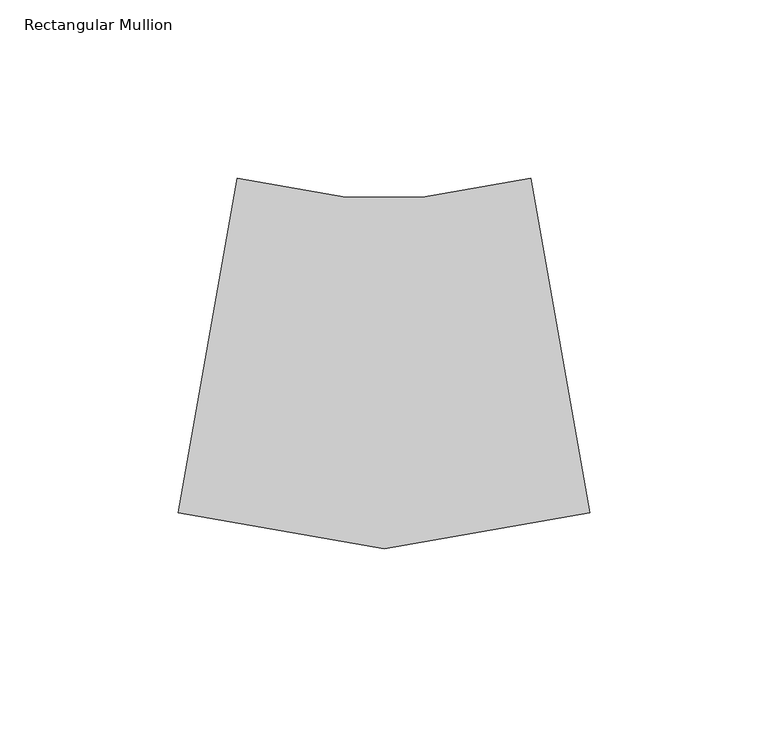
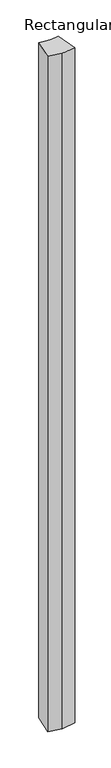
"""IFC4 building model written with IfcOpenShell, lengths in millimetres: member geometry, Rectangular Mullion."""

from ifc_helpers import new_model, si_unit, frame, origin, place, context, project, spatial, polyline, outline, extrude, source, transform, mapped, element, save


def rectangular_mullion_34247579(model_context):
    return source(origin(), model_context, "Body", "SweptSolid", [
        extrude(outline(polyline([(-57.7316284, -130.2882317), (-115.4632569, -120.108588), (-98.9232679, -26.3056495), (-68.4936279, -31.671216), (-46.969629, -31.671216), (-16.5399889, -26.3056495), (0.0, -120.108588), (-57.7316284, -130.2882317)])), frame((0.0, 0.0, -3048.0), z_axis=(0.0, 0.0, 1.0), x_axis=(1.0, 0.0, 0.0)), (0.0, 0.0, 1.0), 3048.0),
    ])


if __name__ == "__main__":
    model = new_model("IFC4")
    model_context = context("Model", 3, world=origin())
    ifc_project = project(units=[si_unit("LENGTHUNIT", "METRE", prefix="MILLI")], contexts=[model_context])
    site = spatial("IfcSite", under=ifc_project)
    building = spatial("IfcBuilding", under=site)
    placement = place(None, origin())
    rectangular_mullion_shape = rectangular_mullion_34247579(model_context)
    element("IfcMember", 1, ObjectType="Rectangular Mullion", at=placement, inside=building, context=model_context, shape_type="MappedRepresentation", body=[
        mapped(rectangular_mullion_shape, transform((0.0, 0.0, 0.0), x_axis=(1.0, 0.0, 0.0), y_axis=(0.0, 1.0, 0.0), z_axis=(0.0, 0.0, 1.0))),
    ])
    save(model, "model.ifc")
